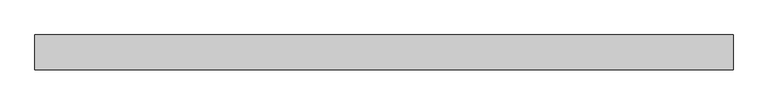
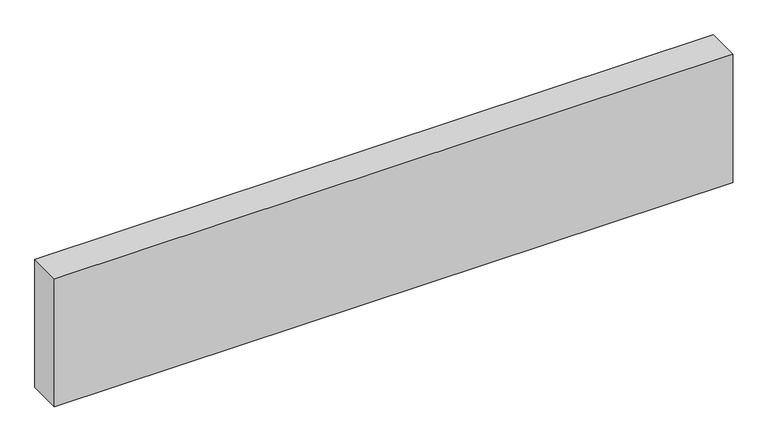
"""IFC4 building model written with IfcOpenShell, lengths in millimetres: plate geometry."""

from ifc_helpers import new_model, si_unit, origin, origin_with_axes, place, context, project, spatial, polyline, outline, extrude, source, transform, mapped, element, save


def plate_ea03e73f(model_context):
    return source(origin(), model_context, "Body", "SweptSolid", [
        extrude(outline(polyline([(1500.0, 75.0), (1500.0, -75.0), (-1500.0, -75.0), (-1500.0, 75.0), (1500.0, 75.0)])), origin_with_axes(), (0.0, 0.0, 1.0), 599.05),
    ])


if __name__ == "__main__":
    model = new_model("IFC4")
    model_context = context("Model", 3, world=origin())
    ifc_project = project(units=[si_unit("LENGTHUNIT", "METRE", prefix="MILLI")], contexts=[model_context])
    site = spatial("IfcSite", under=ifc_project)
    building = spatial("IfcBuilding", under=site)
    placement = place(None, origin())
    plate_shape = plate_ea03e73f(model_context)
    element("IfcPlate", 1, at=placement, inside=building, context=model_context, shape_type="MappedRepresentation", body=[
        mapped(plate_shape, transform((0.0, 0.0, 0.0), x_axis=(1.0, 0.0, 0.0), y_axis=(0.0, 1.0, 0.0), z_axis=(0.0, 0.0, 1.0))),
    ])
    save(model, "model.ifc")
